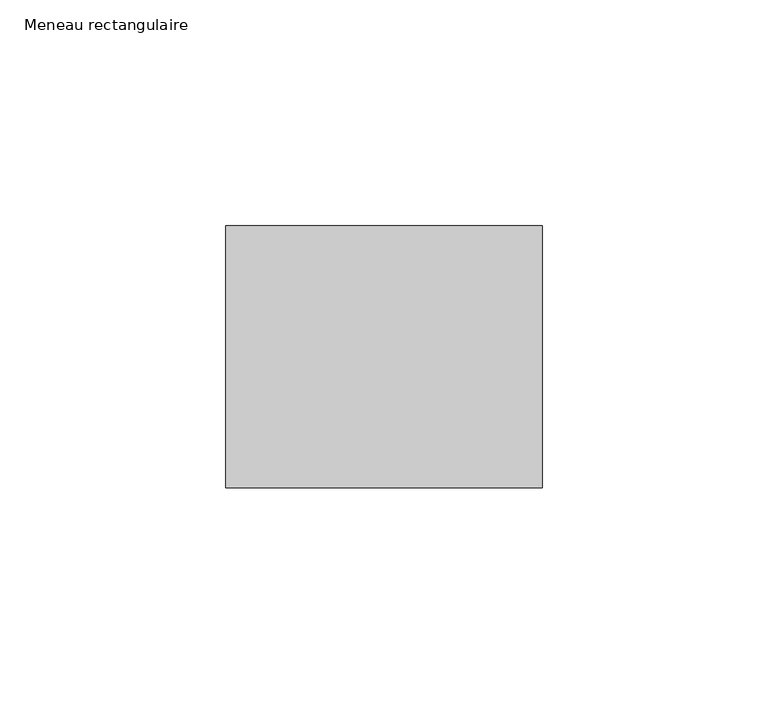
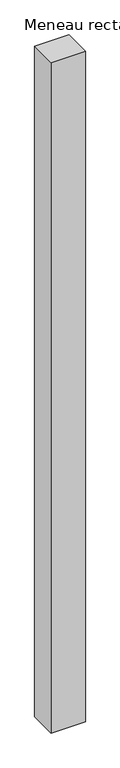
"""IFC4 building model written with IfcOpenShell, lengths in millimetres: member geometry, Meneau rectangulaire."""

from ifc_helpers import new_model, si_unit, frame, origin, place, context, project, spatial, polyline, outline, extrude, source, transform, mapped, element, save


def meneau_rectangulaire_944a5ece(model_context):
    return source(origin(), model_context, "Body", "SweptSolid", [
        extrude(outline(polyline([(0.0, 29.0), (0.0, -29.0), (-70.0, -29.0), (-70.0, 29.0), (0.0, 29.0)])), frame((0.0, 0.0, -1449.6666669), z_axis=(0.0, 0.0, 1.0), x_axis=(1.0, 0.0, 0.0)), (0.0, 0.0, 1.0), 1449.6666669),
    ])


if __name__ == "__main__":
    model = new_model("IFC4")
    model_context = context("Model", 3, world=origin())
    ifc_project = project(units=[si_unit("LENGTHUNIT", "METRE", prefix="MILLI")], contexts=[model_context])
    site = spatial("IfcSite", under=ifc_project)
    building = spatial("IfcBuilding", under=site)
    placement = place(None, origin())
    meneau_rectangulaire_shape = meneau_rectangulaire_944a5ece(model_context)
    element("IfcMember", 1, ObjectType="Meneau rectangulaire", at=placement, inside=building, context=model_context, shape_type="MappedRepresentation", body=[
        mapped(meneau_rectangulaire_shape, transform((0.0, 0.0, 0.0), x_axis=(1.0, 0.0, 0.0), y_axis=(0.0, 1.0, 0.0), z_axis=(0.0, 0.0, 1.0))),
    ])
    save(model, "model.ifc")
